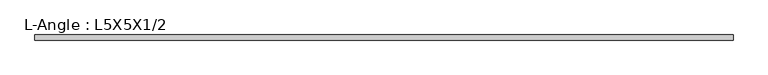
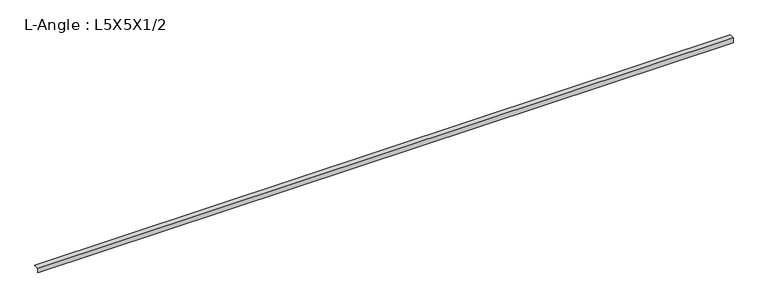
"""IFC4 building model written with IfcOpenShell, lengths in millimetres: beam geometry, L-Angle : L5X5X1/2."""

from ifc_helpers import new_model, si_unit, point, frame, frame_2d, origin, place, context, project, spatial, polyline, circle_curve, trimmed, segment, composite_curve, outline, extrude, source, transform, mapped, element, save


def l_angle_l5x5x1_2_b3e766e6(model_context):
    return source(origin(), model_context, "Body", "SweptSolid", [
        extrude(outline(composite_curve([segment(polyline([(-36.068, 36.068), (90.932, 36.068)]), True, "CONTINUOUS"), segment(trimmed(circle_curve(frame_2d((78.232, 36.068)), 12.7), [point((90.932, 36.068))], [point((78.232, 23.368))], False, "CARTESIAN"), True, "CONTINUOUS"), segment(polyline([(78.232, 23.368), (-10.668, 23.368)]), True, "CONTINUOUS"), segment(trimmed(circle_curve(frame_2d((-10.668, 10.668)), 12.7), [point((-10.668, 23.368))], [point((-23.368, 10.668))], True, "CARTESIAN"), True, "CONTINUOUS"), segment(polyline([(-23.368, 10.668), (-23.368, -78.232)]), True, "CONTINUOUS"), segment(trimmed(circle_curve(frame_2d((-36.068, -78.232)), 12.7), [point((-23.368, -78.232))], [point((-36.068, -90.932))], False, "CARTESIAN"), True, "CONTINUOUS"), segment(polyline([(-36.068, -90.932), (-36.068, 36.068)]), True, "CONTINUOUS")], self_intersect=False)), frame((-8684.26, 0.0, 0.0), z_axis=(1.0, 0.0, 0.0), x_axis=(0.0, 1.0, 0.0)), (0.0, 0.0, 1.0), 17362.871112),
    ])


if __name__ == "__main__":
    model = new_model("IFC4")
    model_context = context("Model", 3, world=origin())
    ifc_project = project(units=[si_unit("LENGTHUNIT", "METRE", prefix="MILLI")], contexts=[model_context])
    site = spatial("IfcSite", under=ifc_project)
    building = spatial("IfcBuilding", under=site)
    placement = place(None, origin())
    l_angle_l5x5x1_2_shape = l_angle_l5x5x1_2_b3e766e6(model_context)
    element("IfcBeam", 1, ObjectType="L-Angle : L5X5X1/2", at=placement, inside=building, context=model_context, shape_type="MappedRepresentation", body=[
        mapped(l_angle_l5x5x1_2_shape, transform((0.0, 0.0, 0.0), x_axis=(1.0, 0.0, 0.0), y_axis=(0.0, 1.0, 0.0), z_axis=(0.0, 0.0, 1.0))),
    ])
    save(model, "model.ifc")
